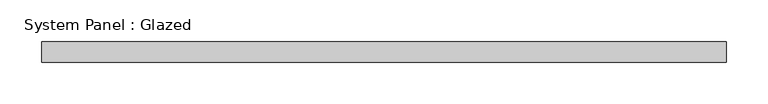
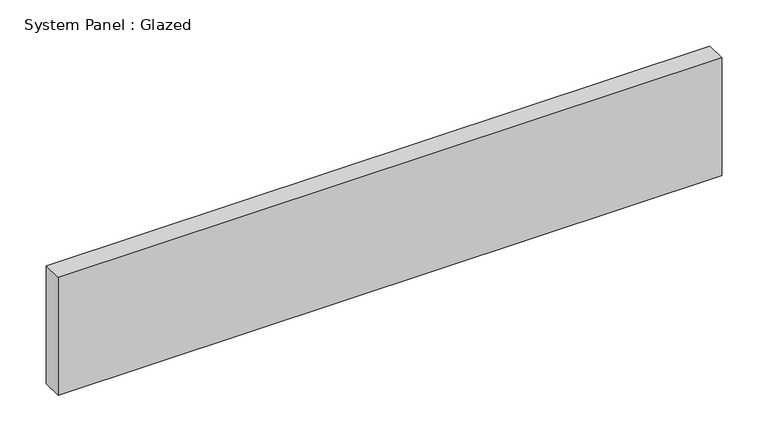
"""IFC4 building model written with IfcOpenShell, lengths in millimetres: plate geometry, System Panel : Glazed."""

from ifc_helpers import new_model, si_unit, origin, origin_with_axes, place, context, project, spatial, polyline, outline, extrude, source, transform, mapped, element, save


def system_panel_glazed_6749fee3(model_context):
    return source(origin(), model_context, "Body", "SweptSolid", [
        extrude(outline(polyline([(412.5, -49.5), (-412.5, -49.5), (-412.5, -24.5), (412.5, -24.5), (412.5, -49.5)])), origin_with_axes(), (0.0, 0.0, 1.0), 155.0),
    ])


if __name__ == "__main__":
    model = new_model("IFC4")
    model_context = context("Model", 3, world=origin())
    ifc_project = project(units=[si_unit("LENGTHUNIT", "METRE", prefix="MILLI")], contexts=[model_context])
    site = spatial("IfcSite", under=ifc_project)
    building = spatial("IfcBuilding", under=site)
    placement = place(None, origin())
    system_panel_glazed_shape = system_panel_glazed_6749fee3(model_context)
    element("IfcPlate", 1, ObjectType="System Panel : Glazed", at=placement, inside=building, context=model_context, shape_type="MappedRepresentation", body=[
        mapped(system_panel_glazed_shape, transform((0.0, 0.0, 0.0), x_axis=(1.0, 0.0, 0.0), y_axis=(0.0, 1.0, 0.0), z_axis=(0.0, 0.0, 1.0))),
    ])
    save(model, "model.ifc")
